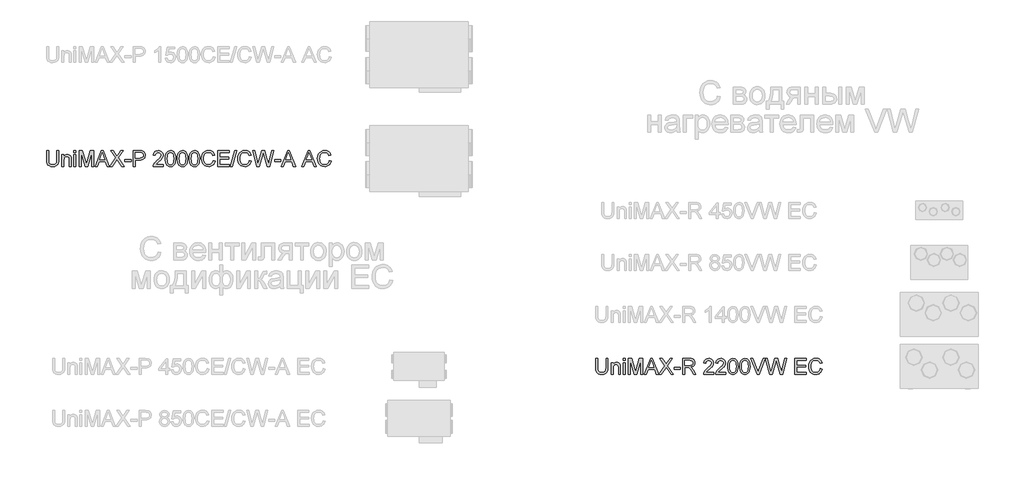
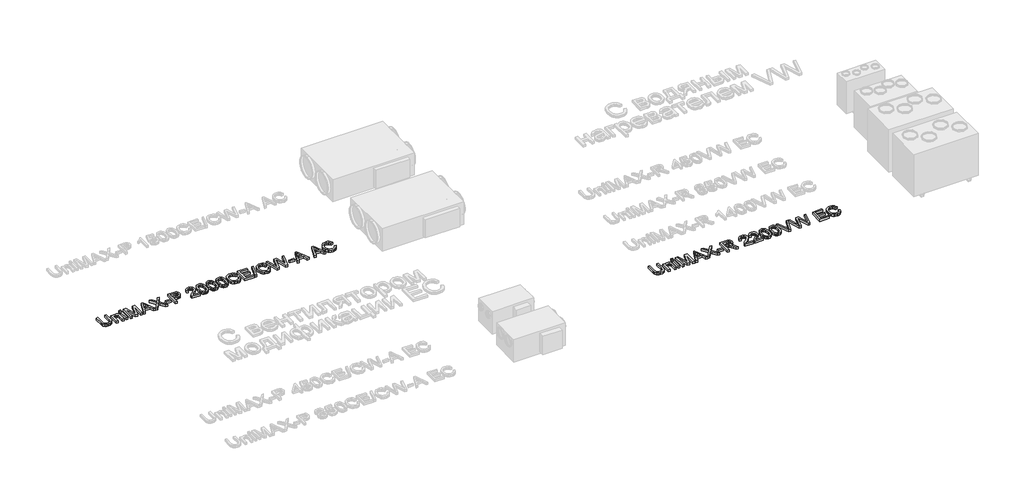
# One storey, part 11 of 74: 2 proxies.
"""IFC4 building model written with IfcOpenShell, lengths in millimetres."""

from ifc_helpers import new_model, si_unit, origin, origin_with_axes, place, context, project, spatial, polyline, outline, extrude, element, save

model = new_model("IFC4")

# Units and contexts
model_context = context("Model", 3, world=origin())
ifc_project = project(units=[si_unit("LENGTHUNIT", "METRE", prefix="MILLI")], contexts=[model_context])

# Site, building, storey
site = spatial("IfcSite", under=ifc_project)
building = spatial("IfcBuilding", under=site)
storey = spatial("IfcBuildingStorey", under=building, Elevation=0.0)

# Proxies
placement = place(None, origin())
element("IfcBuildingElementProxy", 1, Name="Generic Models", at=placement, inside=storey, context=model_context, shape_type="SweptSolid", body=[
    extrude(outline(polyline([(34516.9805383, -33731.9528304), (34554.6516546, -33731.9528304), (34554.6516546, -33905.8138613), (34552.0948748, -33946.5292011), (34544.4245352, -33977.8819441), (34530.0955314, -34002.0701853), (34507.5627592, -34021.2920196), (34476.7710362, -34033.8459926), (34437.6651802, -34038.0306503), (34399.4146497, -34034.3886186), (34368.8344589, -34023.4625233), (34345.9154106, -34005.6294436), (34330.6483078, -33981.2664585), (34322.0674602, -33948.5893403), (34319.2071777, -33905.8138613), (34319.2071777, -33731.9528304), (34356.878294, -33731.9528304), (34356.878294, -33904.4894861), (34358.7360981, -33938.3438267), (34364.3095103, -33961.9158655), (34374.4078711, -33978.2406291), (34389.8405208, -33990.3531438), (34409.9636659, -33997.8579365), (34434.133513, -34000.359534), (34472.4484228, -33995.4115212), (34486.7912221, -33989.2265052), (34497.924251, -33980.5674827), (34506.2613767, -33968.3905887), (34512.2164665, -33951.6519579), (34516.9805383, -33904.4894861), (34516.9805383, -33731.9528304)])), origin_with_axes(), (0.0, 0.0, 1.0), 50.0),
    extrude(outline(polyline([(34615.8672186, -34033.3217608), (34615.8672186, -33812.0039525), (34653.5383349, -33812.0039525), (34653.5383349, -33842.9060401), (34666.6257369, -33827.3262376), (34682.3434952, -33816.1978072), (34700.6916097, -33809.520749), (34721.6700804, -33807.295063), (34740.2389241, -33809.0884877), (34757.2442694, -33814.4687619), (34771.4261203, -33822.7645009), (34781.5244811, -33833.30432), (34792.8184583, -33861.0058343), (34794.8050211, -33897.4261518), (34794.8050211, -34033.3217608), (34757.1339048, -34033.3217608), (34757.1339048, -33902.5029233), (34752.7928972, -33869.1728146), (34746.7872237, -33859.2491977), (34737.452218, -33851.551267), (34725.4868561, -33846.6124512), (34711.5901138, -33844.9661793), (34689.5263911, -33848.6633933), (34670.7184241, -33859.7550355), (34663.2021351, -33868.8095311), (34657.8333572, -33881.1841617), (34653.5383349, -33915.8938279), (34653.5383349, -34033.3217608), (34615.8672186, -34033.3217608)])), origin_with_axes(), (0.0, 0.0, 1.0), 50.0),
    extrude(outline(polyline([(34846.602806, -34033.3217608), (34846.602806, -33812.0039525), (34884.2739223, -33812.0039525), (34884.2739223, -34033.3217608), (34846.602806, -34033.3217608)])), origin_with_axes(), (0.0, 0.0, 1.0), 50.0),
    extrude(outline(polyline([(34846.602806, -33769.6239467), (34846.602806, -33731.9528304), (34884.2739223, -33731.9528304), (34884.2739223, -33769.6239467), (34846.602806, -33769.6239467)])), origin_with_axes(), (0.0, 0.0, 1.0), 50.0),
    extrude(outline(polyline([(34945.4894863, -34033.3217608), (34945.4894863, -33731.9528304), (35010.3102939, -33731.9528304), (35071.9673162, -33944.3678944), (35084.4017277, -33988.734463), (35097.8662087, -33940.6890744), (35158.4931615, -33731.9528304), (35223.3139691, -33731.9528304), (35223.3139691, -34033.3217608), (35185.6428528, -34033.3217608), (35185.6428528, -33769.6239467), (35109.9327381, -34033.3217608), (35058.8707172, -34033.3217608), (34983.1606026, -33769.6239467), (34983.1606026, -34033.3217608), (34945.4894863, -34033.3217608)])), origin_with_axes(), (0.0, 0.0, 1.0), 50.0),
    extrude(outline(polyline([(35254.1424803, -34033.3217608), (35374.4398927, -33731.9528304), (35406.5192027, -33731.9528304), (35526.8166151, -34033.3217608), (35487.0117832, -34033.3217608), (35452.5044521, -33939.14397), (35328.3810669, -33939.14397), (35293.9473121, -34033.3217608), (35254.1424803, -34033.3217608)]), holes=[polyline([(35342.2134299, -33901.4728537), (35438.7456654, -33901.4728537), (35411.5959742, -33827.3814199), (35390.4795477, -33769.6239467), (35371.7175659, -33820.9066968), (35342.2134299, -33901.4728537)])]), origin_with_axes(), (0.0, 0.0, 1.0), 50.0),
    extrude(outline(polyline([(35534.1006786, -34033.3217608), (35650.2778127, -33869.0992382), (35552.9362367, -33731.9528304), (35598.1121457, -33731.9528304), (35652.926563, -33809.1344729), (35671.3942392, -33839.2272201), (35693.0257005, -33808.6194381), (35747.2515066, -33731.9528304), (35793.0896032, -33731.9528304), (35695.7480273, -33869.5406965), (35811.9251613, -34033.3217608), (35766.7492523, -34033.3217608), (35689.3468805, -33924.1343846), (35673.2336492, -33901.4728537), (35655.501737, -33926.3416766), (35579.9387752, -34033.3217608), (35534.1006786, -34033.3217608)])), origin_with_axes(), (0.0, 0.0, 1.0), 50.0),
    extrude(outline(polyline([(35826.05183, -33943.8528596), (35826.05183, -33906.1817433), (35943.7740684, -33906.1817433), (35943.7740684, -33943.8528596), (35826.05183, -33943.8528596)])), origin_with_axes(), (0.0, 0.0, 1.0), 50.0),
    extrude(outline(polyline([(35990.8629638, -34033.3217608), (35990.8629638, -33731.9528304), (36102.5519375, -33731.9528304), (36147.5806937, -33734.8223099), (36167.6578536, -33740.18419), (36184.1849523, -33748.9121903), (36197.4930834, -33761.4017841), (36207.913341, -33778.0484443), (36214.6455815, -33797.6841458), (36216.8896616, -33819.1408632), (36215.3744477, -33837.640729), (36210.8288058, -33854.6598698), (36203.2527359, -33870.1982856), (36192.6462382, -33884.2559764), (36178.0850089, -33895.9086386), (36158.6447447, -33904.2319687), (36134.3254456, -33909.2259668), (36105.1271115, -33910.8906328), (36028.5340801, -33910.8906328), (36028.5340801, -34033.3217608), (35990.8629638, -34033.3217608)]), holes=[polyline([(36028.5340801, -33873.2195165), (36107.3344035, -33873.2195165), (36140.7380886, -33869.7614257), (36162.8110083, -33859.3871535), (36175.1166611, -33842.7404932), (36179.2185453, -33820.4652384), (36176.7997212, -33803.5426666), (36169.5432489, -33789.2688452), (36158.3504392, -33778.5266909), (36144.122603, -33772.1991206), (36106.4514867, -33769.6239467), (36028.5340801, -33769.6239467), (36028.5340801, -33873.2195165)])]), origin_with_axes(), (0.0, 0.0, 1.0), 50.0),
    extrude(outline(polyline([(36565.3474875, -33995.6506445), (36565.3474875, -34033.3217608), (36367.5741269, -34033.3217608), (36371.6208288, -34007.3492919), (36380.9098492, -33987.0514029), (36394.5030889, -33967.3605191), (36414.1663815, -33946.7499303), (36441.6655607, -33923.6929262), (36482.3165212, -33887.5853084), (36506.7070974, -33860.9322579), (36518.9023856, -33839.3007965), (36522.9674816, -33818.2579464), (36519.1323118, -33799.3947971), (36507.6268024, -33783.7138271), (36489.9408755, -33773.1464168), (36467.5644531, -33769.6239467), (36444.0659907, -33773.0636433), (36425.8098467, -33783.3827333), (36414.0284258, -33799.7718762), (36409.9541327, -33821.4217316), (36372.2830164, -33816.712842), (36381.4156869, -33780.2741304), (36389.9620455, -33765.7381931), (36401.161753, -33753.6578681), (36414.757292, -33744.1619141), (36430.4911451, -33737.3790898), (36468.3737935, -33731.9528304), (36488.5636173, -33733.4611465), (36506.5323535, -33737.9860951), (36522.2800021, -33745.527676), (36535.8065633, -33756.0858892), (36546.6705784, -33768.8789856), (36554.4305893, -33783.1252159), (36559.0865958, -33798.82458), (36560.6385979, -33815.9770781), (36558.9647348, -33833.9940988), (36553.9431456, -33851.6984198), (36545.0312043, -33869.7062434), (36531.6862849, -33888.6337721), (36510.4135085, -33911.2309237), (36477.7179962, -33940.247616), (36434.3814972, -33976.4839925), (36417.385349, -33995.6506445), (36565.3474875, -33995.6506445)])), origin_with_axes(), (0.0, 0.0, 1.0), 50.0),
    extrude(outline(polyline([(36603.0186038, -33885.0653167), (36605.7869158, -33836.8267901), (36614.0918518, -33798.3555305), (36627.8506384, -33769.0629266), (36646.9805022, -33748.3603673), (36671.6193988, -33736.0547146), (36701.9052841, -33731.9528304), (36725.118638, -33734.3808515), (36745.9039707, -33741.664915), (36763.286395, -33753.5199123), (36776.2910235, -33769.6607349), (36786.1134728, -33789.9494269), (36793.9493593, -33814.2480327), (36799.0813131, -33845.104135), (36800.7919644, -33885.0653167), (36798.0512435, -33933.0279319), (36789.8290809, -33971.407221), (36776.1530678, -34000.727416), (36757.0507952, -34021.5127488), (36732.3567162, -34033.9011749), (36701.9052841, -34038.0306503), (36681.1567395, -34036.2372256), (36662.7626398, -34030.8569514), (36646.7229848, -34021.8898278), (36633.0377746, -34009.3358547), (36619.9043873, -33986.6421341), (36610.5233965, -33958.3658043), (36604.8948019, -33924.5068652), (36603.0186038, -33885.0653167)]), holes=[polyline([(36640.6897201, -33884.9917403), (36645.104304, -33944.2483327), (36650.6225339, -33964.5163314), (36658.3480558, -33978.5441317), (36678.0665308, -33994.9056835), (36701.9052841, -34000.359534), (36725.7440374, -33994.8872894), (36745.4625123, -33978.4705553), (36753.1880342, -33964.4197624), (36758.7062641, -33944.1563622), (36763.1208481, -33884.9917403), (36758.8534169, -33827.0687202), (36753.519128, -33806.8674001), (36746.0511235, -33792.5062068), (36726.3694368, -33775.3445117), (36701.4638257, -33769.6239467), (36677.8825898, -33774.66393), (36658.936667, -33789.78388), (36650.9536277, -33805.4188648), (36645.2514568, -33826.4985031), (36640.6897201, -33884.9917403)])]), origin_with_axes(), (0.0, 0.0, 1.0), 50.0),
    extrude(outline(polyline([(36833.7541911, -33885.0653167), (36836.5225032, -33836.8267901), (36844.8274392, -33798.3555305), (36858.5862258, -33769.0629266), (36877.7160896, -33748.3603673), (36902.3549862, -33736.0547146), (36932.6408714, -33731.9528304), (36955.8542253, -33734.3808515), (36976.6395581, -33741.664915), (36994.0219823, -33753.5199123), (37007.0266109, -33769.6607349), (37016.8490601, -33789.9494269), (37024.6849466, -33814.2480327), (37029.8169005, -33845.104135), (37031.5275518, -33885.0653167), (37028.7868309, -33933.0279319), (37020.5646683, -33971.407221), (37006.8886551, -34000.727416), (36987.7863825, -34021.5127488), (36963.0923036, -34033.9011749), (36932.6408714, -34038.0306503), (36911.8923269, -34036.2372256), (36893.4982272, -34030.8569514), (36877.4585722, -34021.8898278), (36863.773362, -34009.3358547), (36850.6399747, -33986.6421341), (36841.2589838, -33958.3658043), (36835.6303893, -33924.5068652), (36833.7541911, -33885.0653167)]), holes=[polyline([(36871.4253075, -33884.9917403), (36875.8398914, -33944.2483327), (36881.3581213, -33964.5163314), (36889.0836432, -33978.5441317), (36908.8021182, -33994.9056835), (36932.6408714, -34000.359534), (36956.4796247, -33994.8872894), (36976.1980997, -33978.4705553), (36983.9236216, -33964.4197624), (36989.4418515, -33944.1563622), (36993.8564354, -33884.9917403), (36989.5890043, -33827.0687202), (36984.2547154, -33806.8674001), (36976.7867109, -33792.5062068), (36957.1050241, -33775.3445117), (36932.1994131, -33769.6239467), (36908.6181772, -33774.66393), (36889.6722544, -33789.78388), (36881.6892151, -33805.4188648), (36875.9870442, -33826.4985031), (36871.4253075, -33884.9917403)])]), origin_with_axes(), (0.0, 0.0, 1.0), 50.0),
    extrude(outline(polyline([(37064.4897785, -33885.0653167), (37067.2580905, -33836.8267901), (37075.5630266, -33798.3555305), (37089.3218132, -33769.0629266), (37108.4516769, -33748.3603673), (37133.0905736, -33736.0547146), (37163.3764588, -33731.9528304), (37186.5898127, -33734.3808515), (37207.3751454, -33741.664915), (37224.7575697, -33753.5199123), (37237.7621982, -33769.6607349), (37247.5846475, -33789.9494269), (37255.420534, -33814.2480327), (37260.5524879, -33845.104135), (37262.2631391, -33885.0653167), (37259.5224183, -33933.0279319), (37251.3002557, -33971.407221), (37237.6242425, -34000.727416), (37218.5219699, -34021.5127488), (37193.827891, -34033.9011749), (37163.3764588, -34038.0306503), (37142.6279143, -34036.2372256), (37124.2338145, -34030.8569514), (37108.1941595, -34021.8898278), (37094.5089493, -34009.3358547), (37081.3755621, -33986.6421341), (37071.9945712, -33958.3658043), (37066.3659767, -33924.5068652), (37064.4897785, -33885.0653167)]), holes=[polyline([(37102.1608948, -33884.9917403), (37106.5754788, -33944.2483327), (37112.0937087, -33964.5163314), (37119.8192306, -33978.5441317), (37139.5377055, -33994.9056835), (37163.3764588, -34000.359534), (37187.2152121, -33994.8872894), (37206.9336871, -33978.4705553), (37214.659209, -33964.4197624), (37220.1774389, -33944.1563622), (37224.5920228, -33884.9917403), (37220.3245917, -33827.0687202), (37214.9903027, -33806.8674001), (37207.5222982, -33792.5062068), (37187.8406115, -33775.3445117), (37162.9350004, -33769.6239467), (37139.3537645, -33774.66393), (37120.4078418, -33789.78388), (37112.4248025, -33805.4188648), (37106.7226316, -33826.4985031), (37102.1608948, -33884.9917403)])]), origin_with_axes(), (0.0, 0.0, 1.0), 50.0),
    extrude(outline(polyline([(37521.2520637, -33926.1945238), (37558.92318, -33935.9066085), (37551.4689711, -33959.3337938), (37541.5407558, -33979.8041276), (37529.138534, -33997.3176098), (37514.2623058, -34011.8742405), (37497.2477635, -34023.3176698), (37478.4305995, -34031.4915479), (37457.8108137, -34036.3958747), (37435.3884061, -34038.0306503), (37391.6932221, -34033.0826375), (37356.9927529, -34018.238599), (37330.3948846, -33994.0135696), (37311.0075035, -33960.9225842), (37299.1709003, -33922.0190632), (37295.2253659, -33880.3564272), (37299.6859351, -33836.4129229), (37313.0676427, -33798.4658951), (37334.6715128, -33767.7201573), (37363.7985698, -33745.3805232), (37398.3426891, -33731.7780864), (37436.1977464, -33727.2439408), (37477.5016975, -33733.1116586), (37495.4704337, -33740.4463059), (37511.6503437, -33750.7148121), (37525.774713, -33763.6458642), (37537.5768273, -33778.9681493), (37554.2142905, -33816.7864184), (37516.5431742, -33825.7627391), (37503.4833634, -33798.2911511), (37485.6410866, -33779.4463959), (37462.7956147, -33768.5478918), (37434.7262185, -33764.9150571), (37402.370997, -33768.943365), (37375.7915228, -33781.0282885), (37355.6223925, -33799.9006349), (37342.4982023, -33824.2912111), (37335.2969122, -33851.8639667), (37332.8964822, -33880.2828508), (37335.7383706, -33915.0844876), (37344.2640359, -33945.1772348), (37358.7953747, -33969.4114612), (37379.6542838, -33986.6375356), (37404.6610624, -33996.9290344), (37431.6360097, -34000.359534), (37463.0807232, -33995.6874327), (37489.2831184, -33981.6711287), (37509.0659726, -33958.4577748), (37521.2520637, -33926.1945238)])), origin_with_axes(), (0.0, 0.0, 1.0), 50.0),
    extrude(outline(polyline([(37610.720965, -34033.3217608), (37610.720965, -33731.9528304), (37827.3298837, -33731.9528304), (37827.3298837, -33769.6239467), (37648.3920813, -33769.6239467), (37648.3920813, -33859.0928479), (37817.9121046, -33859.0928479), (37817.9121046, -33896.7639642), (37648.3920813, -33896.7639642), (37648.3920813, -33995.6506445), (37832.0387733, -33995.6506445), (37832.0387733, -34033.3217608), (37610.720965, -34033.3217608)])), origin_with_axes(), (0.0, 0.0, 1.0), 50.0),
    extrude(outline(polyline([(37855.5832209, -34033.3217608), (37940.3432326, -33731.9528304), (37974.335529, -33731.9528304), (37889.5755173, -34033.3217608), (37855.5832209, -34033.3217608)])), origin_with_axes(), (0.0, 0.0, 1.0), 50.0),
    extrude(outline(polyline([(38218.1677154, -33926.1945238), (38255.8388317, -33935.9066085), (38248.3846228, -33959.3337938), (38238.4564074, -33979.8041276), (38226.0541857, -33997.3176098), (38211.1779575, -34011.8742405), (38194.1634152, -34023.3176698), (38175.3462512, -34031.4915479), (38154.7264653, -34036.3958747), (38132.3040577, -34038.0306503), (38088.6088737, -34033.0826375), (38053.9084045, -34018.238599), (38027.3105363, -33994.0135696), (38007.9231552, -33960.9225842), (37996.086552, -33922.0190632), (37992.1410176, -33880.3564272), (37996.6015868, -33836.4129229), (38009.9832943, -33798.4658951), (38031.5871645, -33767.7201573), (38060.7142215, -33745.3805232), (38095.2583408, -33731.7780864), (38133.1133981, -33727.2439408), (38174.4173491, -33733.1116586), (38192.3860853, -33740.4463059), (38208.5659953, -33750.7148121), (38222.6903647, -33763.6458642), (38234.4924789, -33778.9681493), (38251.1299422, -33816.7864184), (38213.4588259, -33825.7627391), (38200.399015, -33798.2911511), (38182.5567383, -33779.4463959), (38159.7112664, -33768.5478918), (38131.6418701, -33764.9150571), (38099.2866487, -33768.943365), (38072.7071745, -33781.0282885), (38052.5380441, -33799.9006349), (38039.4138539, -33824.2912111), (38032.2125639, -33851.8639667), (38029.8121339, -33880.2828508), (38032.6540223, -33915.0844876), (38041.1796875, -33945.1772348), (38055.7110263, -33969.4114612), (38076.5699355, -33986.6375356), (38101.5767141, -33996.9290344), (38128.5516614, -34000.359534), (38159.9963749, -33995.6874327), (38186.19877, -33981.6711287), (38205.9816243, -33958.4577748), (38218.1677154, -33926.1945238)])), origin_with_axes(), (0.0, 0.0, 1.0), 50.0),
    extrude(outline(polyline([(38361.5681171, -34033.3217608), (38279.3832794, -33731.9528304), (38318.2316181, -33731.9528304), (38365.9091247, -33930.0204966), (38380.6244045, -33991.1624842), (38396.3697539, -33937.0838309), (38456.1137899, -33731.9528304), (38512.1054295, -33731.9528304), (38555.515505, -33880.6507328), (38574.1119398, -33935.8330321), (38587.8155441, -33991.1624842), (38602.0893656, -33931.7863301), (38650.2083305, -33731.9528304), (38689.0566692, -33731.9528304), (38606.7982551, -34033.3217608), (38566.5519648, -34033.3217608), (38494.299941, -33800.8203398), (38484.2199743, -33768.3731479), (38472.8892089, -33807.4422158), (38407.0383317, -34033.3217608), (38361.5681171, -34033.3217608)])), origin_with_axes(), (0.0, 0.0, 1.0), 50.0),
    extrude(outline(polyline([(38703.1833378, -33943.8528596), (38703.1833378, -33906.1817433), (38820.9055763, -33906.1817433), (38820.9055763, -33943.8528596), (38703.1833378, -33943.8528596)])), origin_with_axes(), (0.0, 0.0, 1.0), 50.0),
    extrude(outline(polyline([(38832.8985293, -34033.3217608), (38953.1959418, -33731.9528304), (38985.2752517, -33731.9528304), (39105.5726642, -34033.3217608), (39065.7678323, -34033.3217608), (39031.2605011, -33939.14397), (38907.137116, -33939.14397), (38872.7033612, -34033.3217608), (38832.8985293, -34033.3217608)]), holes=[polyline([(38920.969479, -33901.4728537), (39017.5017145, -33901.4728537), (38990.3520233, -33827.3814199), (38969.2355967, -33769.6239467), (38950.473615, -33820.9066968), (38920.969479, -33901.4728537)])]), origin_with_axes(), (0.0, 0.0, 1.0), 50.0),
    extrude(outline(polyline([(39228.4452505, -34033.3217608), (39348.742663, -33731.9528304), (39380.821973, -33731.9528304), (39501.1193854, -34033.3217608), (39461.3145535, -34033.3217608), (39426.8072223, -33939.14397), (39302.6838372, -33939.14397), (39268.2500824, -34033.3217608), (39228.4452505, -34033.3217608)]), holes=[polyline([(39316.5162002, -33901.4728537), (39413.0484357, -33901.4728537), (39385.8987445, -33827.3814199), (39364.782318, -33769.6239467), (39346.0203362, -33820.9066968), (39316.5162002, -33901.4728537)])]), origin_with_axes(), (0.0, 0.0, 1.0), 50.0),
    extrude(outline(polyline([(39753.2657049, -33926.1945238), (39790.9368212, -33935.9066085), (39783.4826122, -33959.3337938), (39773.5543969, -33979.8041276), (39761.1521751, -33997.3176098), (39746.275947, -34011.8742405), (39729.2614047, -34023.3176698), (39710.4442406, -34031.4915479), (39689.8244548, -34036.3958747), (39667.4020472, -34038.0306503), (39623.7068632, -34033.0826375), (39589.006394, -34018.238599), (39562.4085258, -33994.0135696), (39543.0211446, -33960.9225842), (39531.1845414, -33922.0190632), (39527.239007, -33880.3564272), (39531.6995762, -33836.4129229), (39545.0812838, -33798.4658951), (39566.685154, -33767.7201573), (39595.8122109, -33745.3805232), (39630.3563303, -33731.7780864), (39668.2113876, -33727.2439408), (39709.5153386, -33733.1116586), (39727.4840748, -33740.4463059), (39743.6639848, -33750.7148121), (39757.7883541, -33763.6458642), (39769.5904684, -33778.9681493), (39786.2279316, -33816.7864184), (39748.5568153, -33825.7627391), (39735.4970045, -33798.2911511), (39717.6547277, -33779.4463959), (39694.8092558, -33768.5478918), (39666.7398596, -33764.9150571), (39634.3846381, -33768.943365), (39607.805164, -33781.0282885), (39587.6360336, -33799.9006349), (39574.5118434, -33824.2912111), (39567.3105534, -33851.8639667), (39564.9101233, -33880.2828508), (39567.7520118, -33915.0844876), (39576.277677, -33945.1772348), (39590.8090158, -33969.4114612), (39611.6679249, -33986.6375356), (39636.6747035, -33996.9290344), (39663.6496508, -34000.359534), (39695.0943644, -33995.6874327), (39721.2967595, -33981.6711287), (39741.0796138, -33958.4577748), (39753.2657049, -33926.1945238)])), origin_with_axes(), (0.0, 0.0, 1.0), 50.0),
])
element("IfcBuildingElementProxy", 2, Name="Generic Models", at=placement, inside=storey, context=model_context, shape_type="SweptSolid", body=[
    extrude(outline(polyline([(45074.9839486, -37731.9528304), (45112.6550649, -37731.9528304), (45112.6550649, -37905.8138613), (45110.098285, -37946.5292011), (45102.4279454, -37977.8819441), (45088.0989417, -38002.0701853), (45065.5661695, -38021.2920196), (45034.7744465, -38033.8459926), (44995.6685904, -38038.0306503), (44957.41806, -38034.3886186), (44926.8378691, -38023.4625233), (44903.9188208, -38005.6294436), (44888.651718, -37981.2664585), (44880.0708705, -37948.5893403), (44877.210588, -37905.8138613), (44877.210588, -37731.9528304), (44914.8817043, -37731.9528304), (44914.8817043, -37904.4894861), (44916.7395084, -37938.3438267), (44922.3129206, -37961.9158655), (44932.4112814, -37978.2406291), (44947.8439311, -37990.3531438), (44967.9670762, -37997.8579365), (44992.1369233, -38000.359534), (45030.4518331, -37995.4115212), (45044.7946324, -37989.2265052), (45055.9276613, -37980.5674827), (45064.264787, -37968.3905887), (45070.2198768, -37951.6519579), (45074.9839486, -37904.4894861), (45074.9839486, -37731.9528304)])), origin_with_axes(), (0.0, 0.0, 1.0), 50.0),
    extrude(outline(polyline([(45173.8706289, -38033.3217608), (45173.8706289, -37812.0039525), (45211.5417452, -37812.0039525), (45211.5417452, -37842.9060401), (45224.6291472, -37827.3262376), (45240.3469054, -37816.1978072), (45258.6950199, -37809.520749), (45279.6734907, -37807.295063), (45298.2423344, -37809.0884877), (45315.2476797, -37814.4687619), (45329.4295306, -37822.7645009), (45339.5278913, -37833.30432), (45350.8218686, -37861.0058343), (45352.8084314, -37897.4261518), (45352.8084314, -38033.3217608), (45315.1373151, -38033.3217608), (45315.1373151, -37902.5029233), (45310.7963075, -37869.1728146), (45304.7906339, -37859.2491977), (45295.4556283, -37851.551267), (45283.4902664, -37846.6124512), (45269.5935241, -37844.9661793), (45247.5298014, -37848.6633933), (45228.7218344, -37859.7550355), (45221.2055454, -37868.8095311), (45215.8367675, -37881.1841617), (45211.5417452, -37915.8938279), (45211.5417452, -38033.3217608), (45173.8706289, -38033.3217608)])), origin_with_axes(), (0.0, 0.0, 1.0), 50.0),
    extrude(outline(polyline([(45404.6062163, -38033.3217608), (45404.6062163, -37812.0039525), (45442.2773326, -37812.0039525), (45442.2773326, -38033.3217608), (45404.6062163, -38033.3217608)])), origin_with_axes(), (0.0, 0.0, 1.0), 50.0),
    extrude(outline(polyline([(45404.6062163, -37769.6239467), (45404.6062163, -37731.9528304), (45442.2773326, -37731.9528304), (45442.2773326, -37769.6239467), (45404.6062163, -37769.6239467)])), origin_with_axes(), (0.0, 0.0, 1.0), 50.0),
    extrude(outline(polyline([(45503.4928966, -38033.3217608), (45503.4928966, -37731.9528304), (45568.3137041, -37731.9528304), (45629.9707265, -37944.3678944), (45642.405138, -37988.734463), (45655.869619, -37940.6890744), (45716.4965718, -37731.9528304), (45781.3173793, -37731.9528304), (45781.3173793, -38033.3217608), (45743.646263, -38033.3217608), (45743.646263, -37769.6239467), (45667.9361484, -38033.3217608), (45616.8741275, -38033.3217608), (45541.1640129, -37769.6239467), (45541.1640129, -38033.3217608), (45503.4928966, -38033.3217608)])), origin_with_axes(), (0.0, 0.0, 1.0), 50.0),
    extrude(outline(polyline([(45812.1458905, -38033.3217608), (45932.443303, -37731.9528304), (45964.5226129, -37731.9528304), (46084.8200254, -38033.3217608), (46045.0151935, -38033.3217608), (46010.5078623, -37939.14397), (45886.3844772, -37939.14397), (45851.9507224, -38033.3217608), (45812.1458905, -38033.3217608)]), holes=[polyline([(45900.2168402, -37901.4728537), (45996.7490757, -37901.4728537), (45969.5993845, -37827.3814199), (45948.482958, -37769.6239467), (45929.7209762, -37820.9066968), (45900.2168402, -37901.4728537)])]), origin_with_axes(), (0.0, 0.0, 1.0), 50.0),
    extrude(outline(polyline([(46092.1040889, -38033.3217608), (46208.2812229, -37869.0992382), (46110.939647, -37731.9528304), (46156.115556, -37731.9528304), (46210.9299733, -37809.1344729), (46229.3976495, -37839.2272201), (46251.0291108, -37808.6194381), (46305.2549169, -37731.9528304), (46351.0930135, -37731.9528304), (46253.7514376, -37869.5406965), (46369.9285716, -38033.3217608), (46324.7526626, -38033.3217608), (46247.3502908, -37924.1343846), (46231.2370594, -37901.4728537), (46213.5051473, -37926.3416766), (46137.9421855, -38033.3217608), (46092.1040889, -38033.3217608)])), origin_with_axes(), (0.0, 0.0, 1.0), 50.0),
    extrude(outline(polyline([(46384.0552402, -37943.8528596), (46384.0552402, -37906.1817433), (46501.7774787, -37906.1817433), (46501.7774787, -37943.8528596), (46384.0552402, -37943.8528596)])), origin_with_axes(), (0.0, 0.0, 1.0), 50.0),
    extrude(outline(polyline([(46548.8663741, -38033.3217608), (46548.8663741, -37731.9528304), (46678.7287184, -37731.9528304), (46713.6315227, -37733.9853784), (46739.0245774, -37740.0830224), (46757.584224, -37751.3402115), (46771.9868042, -37768.8513945), (46781.2298393, -37790.5656292), (46784.310851, -37814.4319737), (46779.2064883, -37844.1200507), (46763.8934003, -37868.7313562), (46752.2936211, -37878.7607391), (46737.9117344, -37886.775968), (46700.8016381, -37896.7639642), (46722.2123702, -37912.8771956), (46752.7465758, -37951.6519579), (46802.9992563, -38033.3217608), (46759.2212989, -38033.3217608), (46720.0050782, -37970.855398), (46691.6781646, -37929.5054618), (46671.7757487, -37909.9709278), (46653.8598955, -37902.7972289), (46632.007705, -37901.4728537), (46586.5374904, -37901.4728537), (46586.5374904, -38033.3217608), (46548.8663741, -38033.3217608)]), holes=[polyline([(46586.5374904, -37863.8017374), (46670.8560437, -37863.8017374), (46695.071876, -37862.4681652), (46713.8614489, -37858.4674485), (46728.0065116, -37851.5328729), (46738.2888134, -37841.3977239), (46744.5520044, -37829.1380564), (46746.6397347, -37815.8299253), (46742.6574121, -37797.4542196), (46730.7104443, -37782.6469693), (46710.1550378, -37772.8797023), (46680.3473992, -37769.6239467), (46586.5374904, -37769.6239467), (46586.5374904, -37863.8017374)])]), origin_with_axes(), (0.0, 0.0, 1.0), 50.0),
    extrude(outline(polyline([(47146.8953454, -37995.6506445), (47146.8953454, -38033.3217608), (46949.1219848, -38033.3217608), (46953.1686868, -38007.3492919), (46962.4577072, -37987.0514029), (46976.0509469, -37967.3605191), (46995.7142395, -37946.7499303), (47023.2134187, -37923.6929262), (47063.8643791, -37887.5853084), (47088.2549554, -37860.9322579), (47100.4502435, -37839.3007965), (47104.5153396, -37818.2579464), (47100.6801698, -37799.3947971), (47089.1746604, -37783.7138271), (47071.4887335, -37773.1464168), (47049.1123111, -37769.6239467), (47025.6138487, -37773.0636433), (47007.3577047, -37783.3827333), (46995.5762838, -37799.7718762), (46991.5019907, -37821.4217316), (46953.8308744, -37816.712842), (46962.9635449, -37780.2741304), (46971.5099035, -37765.7381931), (46982.709611, -37753.6578681), (46996.30515, -37744.1619141), (47012.0390031, -37737.3790898), (47049.9216515, -37731.9528304), (47070.1114753, -37733.4611465), (47088.0802115, -37737.9860951), (47103.8278601, -37745.527676), (47117.3544212, -37756.0858892), (47128.2184364, -37768.8789856), (47135.9784472, -37783.1252159), (47140.6344537, -37798.82458), (47142.1864559, -37815.9770781), (47140.5125928, -37833.9940988), (47135.4910036, -37851.6984198), (47126.5790623, -37869.7062434), (47113.2341429, -37888.6337721), (47091.9613665, -37911.2309237), (47059.2658542, -37940.247616), (47015.9293552, -37976.4839925), (46998.933207, -37995.6506445), (47146.8953454, -37995.6506445)])), origin_with_axes(), (0.0, 0.0, 1.0), 50.0),
    extrude(outline(polyline([(47377.6309328, -37995.6506445), (47377.6309328, -38033.3217608), (47179.8575722, -38033.3217608), (47183.9042742, -38007.3492919), (47193.1932945, -37987.0514029), (47206.7865343, -37967.3605191), (47226.4498269, -37946.7499303), (47253.949006, -37923.6929262), (47294.5999665, -37887.5853084), (47318.9905428, -37860.9322579), (47331.1858309, -37839.3007965), (47335.250927, -37818.2579464), (47331.4157572, -37799.3947971), (47319.9102478, -37783.7138271), (47302.2243209, -37773.1464168), (47279.8478985, -37769.6239467), (47256.3494361, -37773.0636433), (47238.093292, -37783.3827333), (47226.3118711, -37799.7718762), (47222.2375781, -37821.4217316), (47184.5664617, -37816.712842), (47193.6991323, -37780.2741304), (47202.2454909, -37765.7381931), (47213.4451984, -37753.6578681), (47227.0407374, -37744.1619141), (47242.7745904, -37737.3790898), (47280.6572389, -37731.9528304), (47300.8470626, -37733.4611465), (47318.8157988, -37737.9860951), (47334.5634475, -37745.527676), (47348.0900086, -37756.0858892), (47358.9540238, -37768.8789856), (47366.7140346, -37783.1252159), (47371.3700411, -37798.82458), (47372.9220433, -37815.9770781), (47371.2481802, -37833.9940988), (47366.226591, -37851.6984198), (47357.3146496, -37869.7062434), (47343.9697303, -37888.6337721), (47322.6969539, -37911.2309237), (47290.0014416, -37940.247616), (47246.6649425, -37976.4839925), (47229.6687944, -37995.6506445), (47377.6309328, -37995.6506445)])), origin_with_axes(), (0.0, 0.0, 1.0), 50.0),
    extrude(outline(polyline([(47415.3020491, -37885.0653167), (47418.0703611, -37836.8267901), (47426.3752972, -37798.3555305), (47440.1340838, -37769.0629266), (47459.2639475, -37748.3603673), (47483.9028442, -37736.0547146), (47514.1887294, -37731.9528304), (47537.4020833, -37734.3808515), (47558.187416, -37741.664915), (47575.5698403, -37753.5199123), (47588.5744688, -37769.6607349), (47598.3969181, -37789.9494269), (47606.2328046, -37814.2480327), (47611.3647585, -37845.104135), (47613.0754097, -37885.0653167), (47610.3346889, -37933.0279319), (47602.1125263, -37971.407221), (47588.4365131, -38000.727416), (47569.3342405, -38021.5127488), (47544.6401616, -38033.9011749), (47514.1887294, -38038.0306503), (47493.4401849, -38036.2372256), (47475.0460851, -38030.8569514), (47459.0064301, -38021.8898278), (47445.3212199, -38009.3358547), (47432.1878327, -37986.6421341), (47422.8068418, -37958.3658043), (47417.1782473, -37924.5068652), (47415.3020491, -37885.0653167)]), holes=[polyline([(47452.9731654, -37884.9917403), (47457.3877494, -37944.2483327), (47462.9059793, -37964.5163314), (47470.6315012, -37978.5441317), (47490.3499761, -37994.9056835), (47514.1887294, -38000.359534), (47538.0274827, -37994.8872894), (47557.7459577, -37978.4705553), (47565.4714796, -37964.4197624), (47570.9897095, -37944.1563622), (47575.4042934, -37884.9917403), (47571.1368623, -37827.0687202), (47565.8025733, -37806.8674001), (47558.3345688, -37792.5062068), (47538.6528821, -37775.3445117), (47513.747271, -37769.6239467), (47490.1660351, -37774.66393), (47471.2201124, -37789.78388), (47463.2370731, -37805.4188648), (47457.5349022, -37826.4985031), (47452.9731654, -37884.9917403)])]), origin_with_axes(), (0.0, 0.0, 1.0), 50.0),
    extrude(outline(polyline([(47646.0376365, -37885.0653167), (47648.8059485, -37836.8267901), (47657.1108846, -37798.3555305), (47670.8696712, -37769.0629266), (47689.9995349, -37748.3603673), (47714.6384315, -37736.0547146), (47744.9243168, -37731.9528304), (47768.1376707, -37734.3808515), (47788.9230034, -37741.664915), (47806.3054277, -37753.5199123), (47819.3100562, -37769.6607349), (47829.1325055, -37789.9494269), (47836.968392, -37814.2480327), (47842.1003458, -37845.104135), (47843.8109971, -37885.0653167), (47841.0702762, -37933.0279319), (47832.8481136, -37971.407221), (47819.1721005, -38000.727416), (47800.0698279, -38021.5127488), (47775.375749, -38033.9011749), (47744.9243168, -38038.0306503), (47724.1757723, -38036.2372256), (47705.7816725, -38030.8569514), (47689.7420175, -38021.8898278), (47676.0568073, -38009.3358547), (47662.9234201, -37986.6421341), (47653.5424292, -37958.3658043), (47647.9138347, -37924.5068652), (47646.0376365, -37885.0653167)]), holes=[polyline([(47683.7087528, -37884.9917403), (47688.1233367, -37944.2483327), (47693.6415667, -37964.5163314), (47701.3670886, -37978.5441317), (47721.0855635, -37994.9056835), (47744.9243168, -38000.359534), (47768.7630701, -37994.8872894), (47788.481545, -37978.4705553), (47796.2070669, -37964.4197624), (47801.7252969, -37944.1563622), (47806.1398808, -37884.9917403), (47801.8724497, -37827.0687202), (47796.5381607, -37806.8674001), (47789.0701562, -37792.5062068), (47769.3884695, -37775.3445117), (47744.4828584, -37769.6239467), (47720.9016225, -37774.66393), (47701.9556998, -37789.78388), (47693.9726605, -37805.4188648), (47688.2704895, -37826.4985031), (47683.7087528, -37884.9917403)])]), origin_with_axes(), (0.0, 0.0, 1.0), 50.0),
    extrude(outline(polyline([(47979.9273353, -38033.3217608), (47859.9978049, -37731.9528304), (47900.3176716, -37731.9528304), (47980.5895229, -37949.0767839), (47996.8499071, -37998.0050893), (48012.8895621, -37949.0767839), (48093.3821426, -37731.9528304), (48133.7020093, -37731.9528304), (48018.8492504, -38033.3217608), (47979.9273353, -38033.3217608)])), origin_with_axes(), (0.0, 0.0, 1.0), 50.0),
    extrude(outline(polyline([(48222.6558757, -38033.3217608), (48140.471038, -37731.9528304), (48179.3193767, -37731.9528304), (48226.9968833, -37930.0204966), (48241.7121631, -37991.1624842), (48257.4575125, -37937.0838309), (48317.2015485, -37731.9528304), (48373.1931882, -37731.9528304), (48416.6032636, -37880.6507328), (48435.1996984, -37935.8330321), (48448.9033028, -37991.1624842), (48463.1771242, -37931.7863301), (48511.2960892, -37731.9528304), (48550.1444278, -37731.9528304), (48467.8860137, -38033.3217608), (48427.6397234, -38033.3217608), (48355.3876996, -37800.8203398), (48345.3077329, -37768.3731479), (48333.9769675, -37807.4422158), (48268.1260903, -38033.3217608), (48222.6558757, -38033.3217608)])), origin_with_axes(), (0.0, 0.0, 1.0), 50.0),
    extrude(outline(polyline([(48705.5377826, -38033.3217608), (48705.5377826, -37731.9528304), (48922.1467014, -37731.9528304), (48922.1467014, -37769.6239467), (48743.2088989, -37769.6239467), (48743.2088989, -37859.0928479), (48912.7289223, -37859.0928479), (48912.7289223, -37896.7639642), (48743.2088989, -37896.7639642), (48743.2088989, -37995.6506445), (48926.8555909, -37995.6506445), (48926.8555909, -38033.3217608), (48705.5377826, -38033.3217608)])), origin_with_axes(), (0.0, 0.0, 1.0), 50.0),
    extrude(outline(polyline([(49195.2622946, -37926.1945238), (49232.9334109, -37935.9066085), (49225.479202, -37959.3337938), (49215.5509866, -37979.8041276), (49203.1487649, -37997.3176098), (49188.2725367, -38011.8742405), (49171.2579944, -38023.3176698), (49152.4408303, -38031.4915479), (49131.8210445, -38036.3958747), (49109.3986369, -38038.0306503), (49065.7034529, -38033.0826375), (49031.0029837, -38018.238599), (49004.4051155, -37994.0135696), (48985.0177343, -37960.9225842), (48973.1811311, -37922.0190632), (48969.2355967, -37880.3564272), (48973.6961659, -37836.4129229), (48987.0778735, -37798.4658951), (49008.6817437, -37767.7201573), (49037.8088006, -37745.3805232), (49072.35292, -37731.7780864), (49110.2079773, -37727.2439408), (49151.5119283, -37733.1116586), (49169.4806645, -37740.4463059), (49185.6605745, -37750.7148121), (49199.7849439, -37763.6458642), (49211.5870581, -37778.9681493), (49228.2245214, -37816.7864184), (49190.553405, -37825.7627391), (49177.4935942, -37798.2911511), (49159.6513175, -37779.4463959), (49136.8058456, -37768.5478918), (49108.7364493, -37764.9150571), (49076.3812278, -37768.943365), (49049.8017537, -37781.0282885), (49029.6326233, -37799.9006349), (49016.5084331, -37824.2912111), (49009.3071431, -37851.8639667), (49006.9067131, -37880.2828508), (49009.7486015, -37915.0844876), (49018.2742667, -37945.1772348), (49032.8056055, -37969.4114612), (49053.6645146, -37986.6375356), (49078.6712933, -37996.9290344), (49105.6462406, -38000.359534), (49137.0909541, -37995.6874327), (49163.2933492, -37981.6711287), (49183.0762035, -37958.4577748), (49195.2622946, -37926.1945238)])), origin_with_axes(), (0.0, 0.0, 1.0), 50.0),
])

save(model, "model.ifc")
